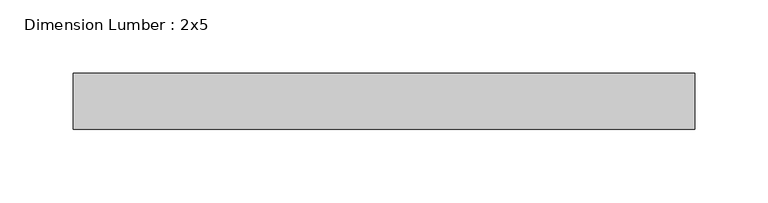
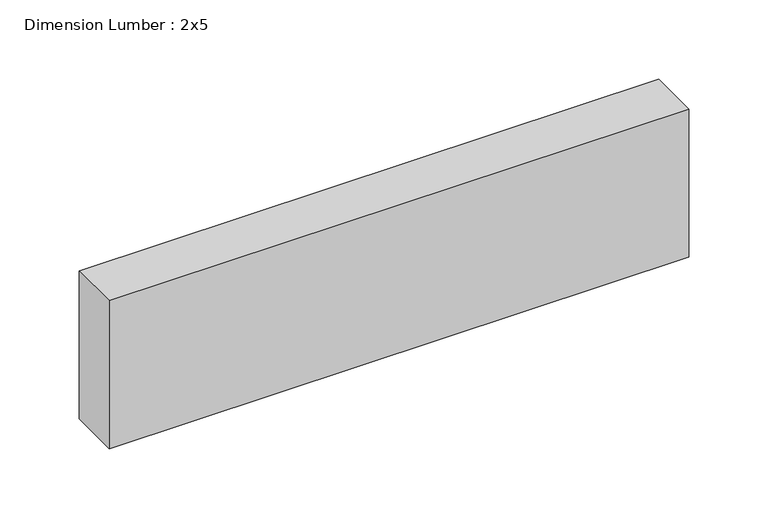
"""IFC4 building model written with IfcOpenShell, lengths in millimetres: beam geometry, Dimension Lumber : 2x5."""

from ifc_helpers import new_model, si_unit, frame, origin, place, context, project, spatial, polyline, outline, extrude, source, transform, mapped, element, save


def dimension_lumber_2x5_719bfb2a(model_context):
    return source(origin(), model_context, "Body", "SweptSolid", [
        extrude(outline(polyline([(210.5041502, 19.05), (210.5041502, -19.05), (-212.7904136, -19.05), (-212.7904136, 19.05), (210.5041502, 19.05)])), frame((0.0, 0.0, -57.15), z_axis=(0.0, 0.0, 1.0), x_axis=(1.0, 0.0, 0.0)), (0.0, 0.0, 1.0), 114.3),
    ])


if __name__ == "__main__":
    model = new_model("IFC4")
    model_context = context("Model", 3, world=origin())
    ifc_project = project(units=[si_unit("LENGTHUNIT", "METRE", prefix="MILLI")], contexts=[model_context])
    site = spatial("IfcSite", under=ifc_project)
    building = spatial("IfcBuilding", under=site)
    placement = place(None, origin())
    dimension_lumber_2x5_shape = dimension_lumber_2x5_719bfb2a(model_context)
    element("IfcBeam", 1, ObjectType="Dimension Lumber : 2x5", at=placement, inside=building, context=model_context, shape_type="MappedRepresentation", body=[
        mapped(dimension_lumber_2x5_shape, transform((0.0, 0.0, 0.0), x_axis=(1.0, 0.0, 0.0), y_axis=(0.0, 1.0, 0.0), z_axis=(0.0, 0.0, 1.0))),
    ])
    save(model, "model.ifc")
